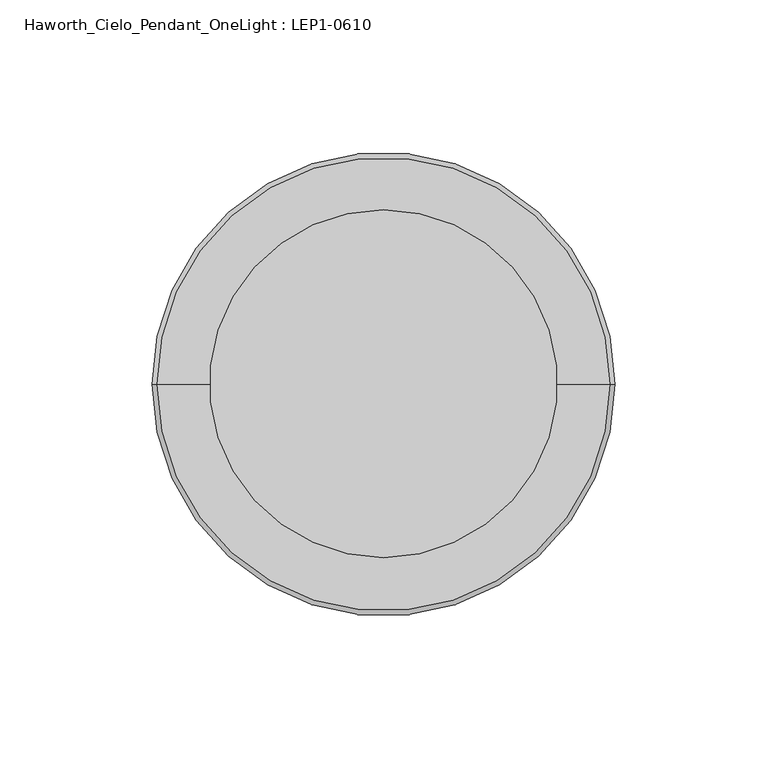
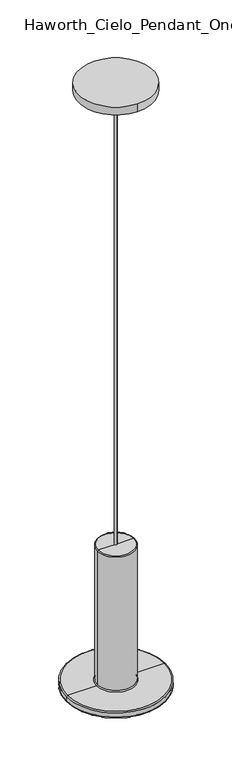
"""IFC4 building model written with IfcOpenShell, lengths in millimetres: light fixture geometry, Haworth_Cielo_Pendant_OneLight : LEP1-0610."""

from ifc_helpers import new_model, si_unit, point, frame, origin, origin_2d, place, context, project, spatial, circle_curve, ellipse_curve, trimmed, segment, composite_curve, outline, extrude, source, transform, mapped, element, save
from ifc_brep_helpers import plane_surface, cylinder_surface, revolved_surface, advanced_brep


def haworth_cielo_pendant_onelight_lep1_0610_f40d477b(model_context):
    return source(origin(), model_context, "Body", "SolidModel", [
        advanced_brep(
        [(0.0, 0.0, -749.3), (26.9719441, 0.0, -749.3), (-26.9719441, 0.0, -749.3), (-74.6125, 0.0, -978.6682983), (74.6125, 0.0, -978.6682983), (0.0, 0.0, -978.6682983), (-76.2, 0.0, -977.0807983), (76.2, 0.0, -977.0807983), (-76.2, 0.0, -970.3498622), (76.2, 0.0, -970.3498622), (-74.6125, 0.0, -968.7623622), (74.6125, 0.0, -968.7623622), (-30.1469441, 0.0, -968.7623622), (30.1469441, 0.0, -968.7623622), (-28.5594441, 0.0, -967.1748622), (28.5594441, 0.0, -967.1748622), (-28.5594441, 0.0, -750.8875), (28.5594441, 0.0, -750.8875)],
        [
            (0, 1),
            (1, 2, circle_curve(frame((0.0, 0.0, -749.3), z_axis=(0.0, 0.0, 1.0), x_axis=(1.0, 0.0, 0.0)), 26.9719441)),
            (2, 0),
            (2, 1, circle_curve(frame((0.0, 0.0, -749.3), z_axis=(0.0, 0.0, 1.0), x_axis=(1.0, 0.0, 0.0)), 26.9719441)),
            (3, 4, circle_curve(frame((0.0, 0.0, -978.6682983), z_axis=(0.0, 0.0, -1.0), x_axis=(1.0, 0.0, 0.0)), 74.6125)),
            (4, 5),
            (5, 3),
            (4, 3, circle_curve(frame((0.0, 0.0, -978.6682983), z_axis=(0.0, 0.0, -1.0), x_axis=(1.0, 0.0, 0.0)), 74.6125)),
            (6, 7, circle_curve(frame((0.0, 0.0, -977.0807983), z_axis=(0.0, 0.0, -1.0), x_axis=(1.0, 0.0, 0.0)), 76.2)),
            (7, 4, circle_curve(frame((74.6125, 0.0, -977.0807983), z_axis=(0.0, 1.0, 0.0), x_axis=(1.0, 0.0, 0.0)), 1.5875)),
            (3, 6, circle_curve(frame((-74.6125, 0.0, -977.0807983), z_axis=(0.0, 1.0, 0.0), x_axis=(-1.0, 0.0, 0.0)), 1.5875)),
            (7, 6, circle_curve(frame((0.0, 0.0, -977.0807983), z_axis=(0.0, 0.0, -1.0), x_axis=(1.0, 0.0, 0.0)), 76.2)),
            (8, 9, circle_curve(frame((0.0, 0.0, -970.3498622), z_axis=(0.0, 0.0, -1.0), x_axis=(1.0, 0.0, 0.0)), 76.2)),
            (9, 7),
            (6, 8),
            (9, 8, circle_curve(frame((0.0, 0.0, -970.3498622), z_axis=(0.0, 0.0, -1.0), x_axis=(1.0, 0.0, 0.0)), 76.2)),
            (10, 11, circle_curve(frame((0.0, 0.0, -968.7623622), z_axis=(0.0, 0.0, -1.0), x_axis=(1.0, 0.0, 0.0)), 74.6125)),
            (11, 9, circle_curve(frame((74.6125, 0.0, -970.3498622), z_axis=(0.0, 1.0, 0.0), x_axis=(1.0, 0.0, 0.0)), 1.5875)),
            (8, 10, circle_curve(frame((-74.6125, 0.0, -970.3498622), z_axis=(0.0, 1.0, 0.0), x_axis=(-1.0, 0.0, 0.0)), 1.5875)),
            (11, 10, circle_curve(frame((0.0, 0.0, -968.7623622), z_axis=(0.0, 0.0, -1.0), x_axis=(1.0, 0.0, 0.0)), 74.6125)),
            (12, 13, circle_curve(frame((0.0, 0.0, -968.7623622), z_axis=(0.0, 0.0, -1.0), x_axis=(1.0, 0.0, 0.0)), 30.1469441)),
            (13, 11),
            (10, 12),
            (13, 12, circle_curve(frame((0.0, 0.0, -968.7623622), z_axis=(0.0, 0.0, -1.0), x_axis=(1.0, 0.0, 0.0)), 30.1469441)),
            (14, 15, circle_curve(frame((0.0, 0.0, -967.1748622), z_axis=(0.0, 0.0, -1.0), x_axis=(1.0, 0.0, 0.0)), 28.5594441)),
            (15, 13, circle_curve(frame((30.1469441, 0.0, -967.1748622), z_axis=(0.0, -1.0, 0.0), x_axis=(1.0, 0.0, 0.0)), 1.5875)),
            (12, 14, circle_curve(frame((-30.1469441, 0.0, -967.1748622), z_axis=(0.0, -1.0, 0.0), x_axis=(-1.0, 0.0, 0.0)), 1.5875)),
            (15, 14, circle_curve(frame((0.0, 0.0, -967.1748622), z_axis=(0.0, 0.0, -1.0), x_axis=(1.0, 0.0, 0.0)), 28.5594441)),
            (16, 17, circle_curve(frame((0.0, 0.0, -750.8875), z_axis=(0.0, 0.0, -1.0), x_axis=(1.0, 0.0, 0.0)), 28.5594441)),
            (17, 15),
            (14, 16),
            (17, 16, circle_curve(frame((0.0, 0.0, -750.8875), z_axis=(0.0, 0.0, -1.0), x_axis=(1.0, 0.0, 0.0)), 28.5594441)),
            (1, 17, circle_curve(frame((26.9719441, 0.0, -750.8875), z_axis=(0.0, 1.0, 0.0), x_axis=(1.0, 0.0, 0.0)), 1.5875)),
            (16, 2, circle_curve(frame((-26.9719441, 0.0, -750.8875), z_axis=(0.0, 1.0, 0.0), x_axis=(-1.0, 0.0, 0.0)), 1.5875)),
        ],
        [
            plane_surface(frame((0.0, 0.0, -749.3), z_axis=(0.0, 0.0, 1.0), x_axis=(1.0, 0.0, 0.0))),
            plane_surface(frame((0.0, 0.0, -978.6682983), z_axis=(0.0, 0.0, -1.0), x_axis=(1.0, 0.0, 0.0))),
            revolved_surface(trimmed(ellipse_curve(frame((74.6125, 0.0, -977.0807983), z_axis=(0.0, -1.0, 0.0), x_axis=(1.0, 0.0, 0.0)), 1.5875, 1.5875), [point((74.6125, 0.0, -978.6682983))], [point((76.2, 0.0, -977.0807983))], True, "CARTESIAN"), (0.0, 0.0, -685.8), (0.0, 0.0, 1.0)),
            cylinder_surface(frame((0.0, 0.0, -685.8), z_axis=(0.0, 0.0, 1.0), x_axis=(1.0, 0.0, 0.0)), 76.2),
            revolved_surface(trimmed(ellipse_curve(frame((74.6125, 0.0, -970.3498622), z_axis=(0.0, -1.0, 0.0), x_axis=(1.0, 0.0, 0.0)), 1.5875, 1.5875), [point((76.2, 0.0, -970.3498622))], [point((74.6125, 0.0, -968.7623622))], True, "CARTESIAN"), (0.0, 0.0, -685.8), (0.0, 0.0, 1.0)),
            plane_surface(frame((0.0, 0.0, -968.7623622), z_axis=(0.0, 0.0, 1.0), x_axis=(1.0, 0.0, 0.0))),
            revolved_surface(trimmed(ellipse_curve(frame((30.1469441, 0.0, -967.1748622), z_axis=(0.0, 1.0, 0.0), x_axis=(1.0, 0.0, 0.0)), 1.5875, 1.5875), [point((30.1469441, 0.0, -968.7623622))], [point((28.5594441, 0.0, -967.1748622))], True, "CARTESIAN"), (0.0, 0.0, -685.8), (0.0, 0.0, 1.0)),
            cylinder_surface(frame((0.0, 0.0, -685.8), z_axis=(0.0, 0.0, 1.0), x_axis=(1.0, 0.0, 0.0)), 28.5594441),
            revolved_surface(trimmed(ellipse_curve(frame((26.9719441, 0.0, -750.8875), z_axis=(0.0, -1.0, 0.0), x_axis=(1.0, 0.0, 0.0)), 1.5875, 1.5875), [point((28.5594441, 0.0, -750.8875))], [point((26.9719441, 0.0, -749.3))], True, "CARTESIAN"), (0.0, 0.0, -685.8), (0.0, 0.0, 1.0)),
        ],
        [
            (0, [[1, 2, 3]]),
            (0, [[-3, 4, -1]]),
            (1, [[5, 6, 7]]),
            (1, [[8, -7, -6]]),
            (2, [[9, 10, -5, 11]]),
            (2, [[12, -11, -8, -10]]),
            (3, [[13, 14, -9, 15]]),
            (3, [[16, -15, -12, -14]]),
            (4, [[17, 18, -13, 19]]),
            (4, [[20, -19, -16, -18]]),
            (5, [[21, 22, -17, 23]]),
            (5, [[24, -23, -20, -22]]),
            (6, [[25, 26, -21, 27]]),
            (6, [[28, -27, -24, -26]]),
            (7, [[29, 30, -25, 31]]),
            (7, [[32, -31, -28, -30]]),
            (8, [[-2, 33, -29, 34]]),
            (8, [[-4, -34, -32, -33]]),
        ],
    ),
        extrude(outline(composite_curve([segment(trimmed(circle_curve(origin_2d(), 1.984375), [point((0.0, 1.984375))], [point((0.0, -1.984375))], False, "CARTESIAN"), True, "CONTINUOUS"), segment(trimmed(circle_curve(origin_2d(), 1.984375), [point((0.0, -1.984375))], [point((0.0, 1.984375))], False, "CARTESIAN"), True, "CONTINUOUS")], self_intersect=False)), frame((0.0, 0.0, -749.3), z_axis=(0.0, 0.0, 1.0), x_axis=(1.0, 0.0, 0.0)), (0.0, 0.0, 1.0), 736.6),
        extrude(outline(composite_curve([segment(trimmed(circle_curve(origin_2d(), 57.15), [point((0.0, 57.15))], [point((0.0, -57.15))], False, "CARTESIAN"), True, "CONTINUOUS"), segment(trimmed(circle_curve(origin_2d(), 57.15), [point((0.0, -57.15))], [point((0.0, 57.15))], False, "CARTESIAN"), True, "CONTINUOUS")], self_intersect=False)), frame((0.0, 0.0, -12.7), z_axis=(0.0, 0.0, 1.0), x_axis=(1.0, 0.0, 0.0)), (0.0, 0.0, 1.0), 12.7),
    ])


if __name__ == "__main__":
    model = new_model("IFC4")
    model_context = context("Model", 3, world=origin())
    ifc_project = project(units=[si_unit("LENGTHUNIT", "METRE", prefix="MILLI")], contexts=[model_context])
    site = spatial("IfcSite", under=ifc_project)
    building = spatial("IfcBuilding", under=site)
    placement = place(None, origin())
    haworth_cielo_pendant_onelight_lep1_0610_shape = haworth_cielo_pendant_onelight_lep1_0610_f40d477b(model_context)
    element("IfcLightFixture", 1, ObjectType="Haworth_Cielo_Pendant_OneLight : LEP1-0610", at=placement, inside=building, context=model_context, shape_type="MappedRepresentation", body=[
        mapped(haworth_cielo_pendant_onelight_lep1_0610_shape, transform((0.0, 0.0, 0.0), x_axis=(1.0, 0.0, 0.0), y_axis=(0.0, 1.0, 0.0), z_axis=(0.0, 0.0, 1.0))),
    ])
    save(model, "model.ifc")
